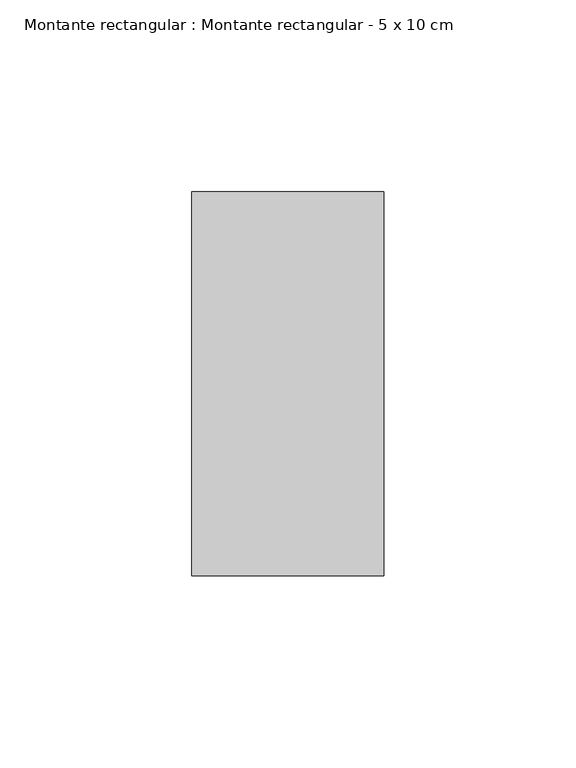
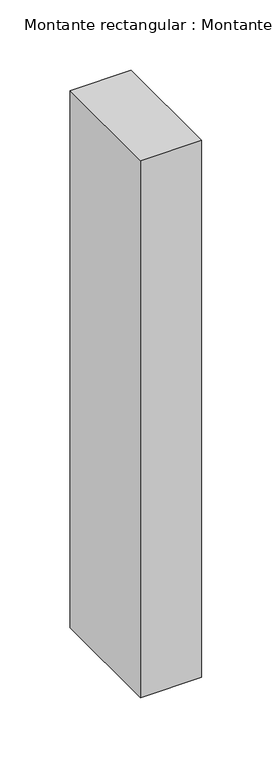
"""IFC4 building model written with IfcOpenShell, lengths in millimetres: member geometry, Montante rectangular : Montante rectangular - 5 x 10 cm."""

from ifc_helpers import new_model, si_unit, frame, origin, place, context, project, spatial, polyline, outline, extrude, source, transform, mapped, element, save


def montante_rectangular_montante_rectangular_5_x_10_cm_1b8a509b(model_context):
    return source(origin(), model_context, "Body", "SweptSolid", [
        extrude(outline(polyline([(-50.0, 50.0), (0.0, 50.0), (0.0, -50.0), (-50.0, -50.0), (-50.0, 50.0)])), frame((0.0, 0.0, -465.0), z_axis=(0.0, 0.0, 1.0), x_axis=(1.0, 0.0, 0.0)), (0.0, 0.0, 1.0), 465.0),
    ])


if __name__ == "__main__":
    model = new_model("IFC4")
    model_context = context("Model", 3, world=origin())
    ifc_project = project(units=[si_unit("LENGTHUNIT", "METRE", prefix="MILLI")], contexts=[model_context])
    site = spatial("IfcSite", under=ifc_project)
    building = spatial("IfcBuilding", under=site)
    placement = place(None, origin())
    montante_rectangular_montante_rectangular_5_x_10_cm_shape = montante_rectangular_montante_rectangular_5_x_10_cm_1b8a509b(model_context)
    element("IfcMember", 1, ObjectType="Montante rectangular : Montante rectangular - 5 x 10 cm", at=placement, inside=building, context=model_context, shape_type="MappedRepresentation", body=[
        mapped(montante_rectangular_montante_rectangular_5_x_10_cm_shape, transform((0.0, 0.0, 0.0), x_axis=(1.0, 0.0, 0.0), y_axis=(0.0, 1.0, 0.0), z_axis=(0.0, 0.0, 1.0))),
    ])
    save(model, "model.ifc")
